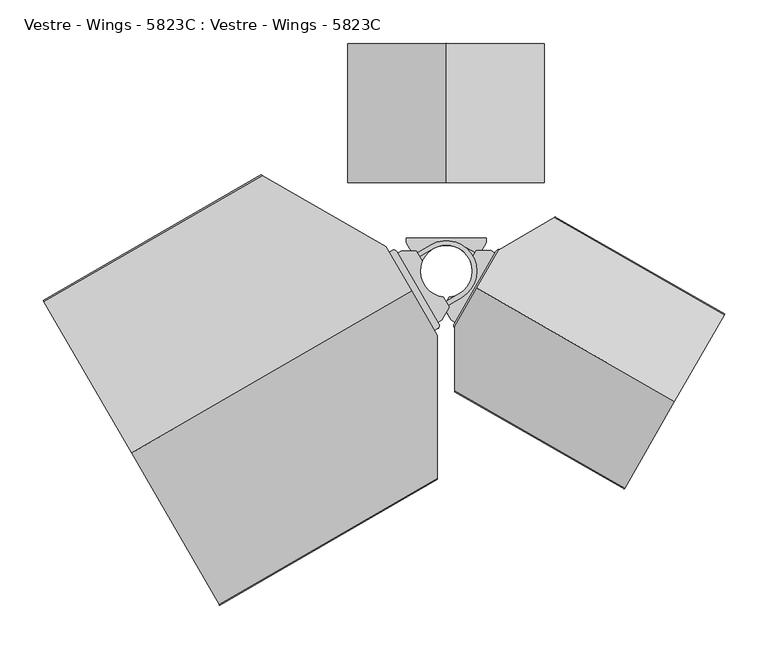
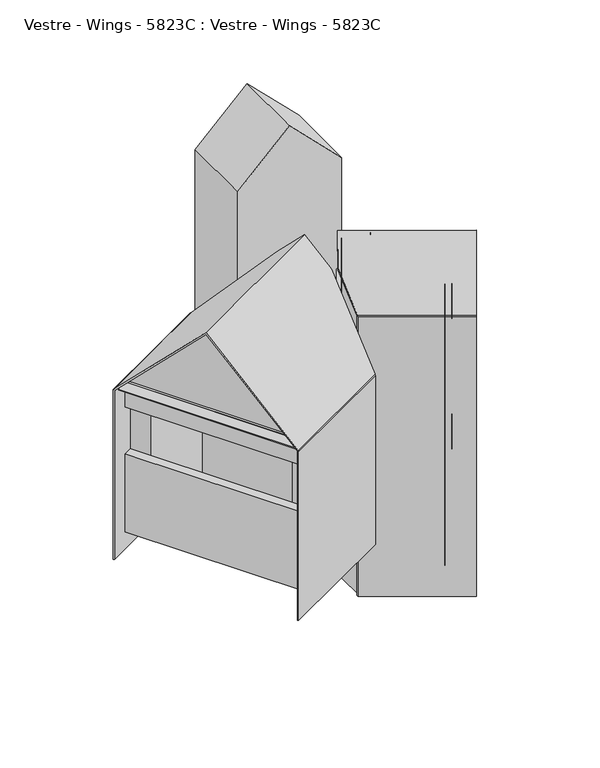
"""IFC4 building model written with IfcOpenShell, lengths in millimetres: furniture geometry, Vestre - Wings - 5823C : Vestre - Wings - 5823C."""

from ifc_helpers import new_model, si_unit, point, frame, frame_2d, origin, origin_2d, place, context, project, spatial, polyline, circle_curve, ellipse_curve, trimmed, segment, composite_curve, outline, extrude, faceted_brep, source, transform, mapped, element, save
from ifc_brep_helpers import plane_surface, cylinder_surface, revolved_surface, advanced_brep


def vestre_wings_5823c_vestre_wings_5823c_13f38da3(model_context):
    return source(origin(), model_context, "Body", "SolidModel", [
        extrude(outline(composite_curve([segment(polyline([(3.2987805, -41.4129271), (-5.3732925, -56.338383), (-9.6955074, -58.8520374), (-55.9467473, 20.6767172), (-51.6245323, 23.1903716), (-34.3633157, 23.3468417), (-27.6098764, 11.7343396)]), True, "CONTINUOUS"), segment(trimmed(circle_curve(origin_2d(), 30.0), [point((-27.6098764, 11.7343396))], [point((-3.4546589, -29.800425))], True, "CARTESIAN"), True, "CONTINUOUS"), segment(polyline([(-3.4546589, -29.800425), (3.2987805, -41.4129271)]), True, "CONTINUOUS")], self_intersect=False)), frame((0.0, 0.0, 1854.5), z_axis=(0.0, 0.0, 1.0), x_axis=(1.0, 0.0, 0.0)), (0.0, 0.0, 1.0), 16.0),
        extrude(outline(composite_curve([segment(polyline([(-15.0819261, 25.9332895), (-47.9030534, 6.8456295), (-50.4167077, 11.1678444), (-17.5955804, 30.2555045)]), True, "CONTINUOUS"), segment(trimmed(circle_curve(origin_2d(), 35.0), [point((-17.5955804, 30.2555045))], [point((17.5955804, -30.2555045))], False, "CARTESIAN"), True, "CONTINUOUS"), segment(polyline([(17.5955804, -30.2555045), (-15.2255469, -49.3431645), (-17.7392013, -45.0209496), (15.0819261, -25.9332895)]), True, "CONTINUOUS"), segment(trimmed(circle_curve(origin_2d(), 30.0), [point((15.0819261, -25.9332895))], [point((-15.0819261, 25.9332895))], True, "CARTESIAN"), True, "CONTINUOUS")], self_intersect=False)), frame((0.0, 0.0, 1858.4995703), z_axis=(0.0, 0.0, 1.0), x_axis=(1.0, 0.0, 0.0)), (0.0, 0.0, 1.0), 7.9898167),
        extrude(outline(composite_curve([segment(polyline([(-56.952209, 22.4056032), (-8.6900456, -60.5809233)]), True, "CONTINUOUS"), segment(trimmed(circle_curve(frame_2d((-12.1478176, -62.5918468)), 4.0), [point((-8.6900456, -60.5809233))], [point((-10.1368941, -66.0496188))], False, "CARTESIAN"), True, "CONTINUOUS"), segment(polyline([(-10.1368941, -66.0496188), (-14.6925794, -68.6990516), (-66.9765897, 21.2030188), (-62.4209044, 23.8524517)]), True, "CONTINUOUS"), segment(trimmed(circle_curve(frame_2d((-60.4099809, 20.3946797)), 4.0), [point((-62.4209044, 23.8524517))], [point((-56.952209, 22.4056032))], False, "CARTESIAN"), True, "CONTINUOUS")], self_intersect=False)), frame((0.0, 0.0, 1837.5), z_axis=(0.0, 0.0, 1.0), x_axis=(1.0, 0.0, 0.0)), (0.0, 0.0, 1.0), 60.0),
        extrude(outline(composite_curve([segment(polyline([(3.2987805, -41.4129271), (-5.3732925, -56.338383), (-9.6955074, -58.8520374), (-55.9467473, 20.6767172), (-51.6245323, 23.1903716), (-34.3633157, 23.3468417), (-27.6098764, 11.7343396)]), True, "CONTINUOUS"), segment(trimmed(circle_curve(origin_2d(), 30.0), [point((-27.6098764, 11.7343396))], [point((-3.4546589, -29.800425))], True, "CARTESIAN"), True, "CONTINUOUS"), segment(polyline([(-3.4546589, -29.800425), (3.2987805, -41.4129271)]), True, "CONTINUOUS")], self_intersect=False)), frame((0.0, 0.0, 2209.5), z_axis=(0.0, 0.0, 1.0), x_axis=(1.0, 0.0, 0.0)), (0.0, 0.0, 1.0), 16.0),
        extrude(outline(composite_curve([segment(polyline([(-15.0819261, 25.9332895), (-47.9030534, 6.8456295), (-50.4167077, 11.1678444), (-17.5955804, 30.2555045)]), True, "CONTINUOUS"), segment(trimmed(circle_curve(origin_2d(), 35.0), [point((-17.5955804, 30.2555045))], [point((17.5955804, -30.2555045))], False, "CARTESIAN"), True, "CONTINUOUS"), segment(polyline([(17.5955804, -30.2555045), (-15.2255469, -49.3431645), (-17.7392013, -45.0209496), (15.0819261, -25.9332895)]), True, "CONTINUOUS"), segment(trimmed(circle_curve(origin_2d(), 30.0), [point((15.0819261, -25.9332895))], [point((-15.0819261, 25.9332895))], True, "CARTESIAN"), True, "CONTINUOUS")], self_intersect=False)), frame((0.0, 0.0, 2213.4995703), z_axis=(0.0, 0.0, 1.0), x_axis=(1.0, 0.0, 0.0)), (0.0, 0.0, 1.0), 7.9898167),
        extrude(outline(composite_curve([segment(polyline([(-56.952209, 22.4056032), (-8.6900456, -60.5809233)]), True, "CONTINUOUS"), segment(trimmed(circle_curve(frame_2d((-12.1478176, -62.5918468)), 4.0), [point((-8.6900456, -60.5809233))], [point((-10.1368941, -66.0496188))], False, "CARTESIAN"), True, "CONTINUOUS"), segment(polyline([(-10.1368941, -66.0496188), (-14.6925794, -68.6990516), (-66.9765897, 21.2030188), (-62.4209044, 23.8524517)]), True, "CONTINUOUS"), segment(trimmed(circle_curve(frame_2d((-60.4099809, 20.3946797)), 4.0), [point((-62.4209044, 23.8524517))], [point((-56.952209, 22.4056032))], False, "CARTESIAN"), True, "CONTINUOUS")], self_intersect=False)), frame((0.0, 0.0, 2177.5), z_axis=(0.0, 0.0, 1.0), x_axis=(1.0, 0.0, 0.0)), (0.0, 0.0, 1.0), 60.0),
        extrude(outline(composite_curve([segment(polyline([(2.0, -1e-07), (1.9999999, -20.0000001), (6.1732691, -31.4659629), (4.2938839, -32.1500032), (0.1809221, -20.8497336)]), True, "CONTINUOUS"), segment(trimmed(circle_curve(frame_2d((3.0, -19.8236731)), 3.0), [point((0.1809221, -20.8497336))], [point((0.0, -19.8236731))], False, "CARTESIAN"), True, "CONTINUOUS"), segment(polyline([(0.0, -19.8236731), (0.0, 0.0), (2.0, -1e-07)]), True, "CONTINUOUS")], self_intersect=False)), frame((-249.1510246, -374.2094505, 2213.0396042), z_axis=(-0.4999999999999998, 0.8660254037844387, 0.0), x_axis=(0.2961981327260158, 0.17101007166282964, -0.9396926207859119)), (0.0, 0.0, 1.0), 398.8082246),
        faceted_brep([(-223.8406901, 100.9075496, 2220.0006219), (-124.1386339, -71.7814772, 2419.4047342), (-24.4365778, -244.4705041, 2220.0006219), (-24.4365778, -244.4705041, 1870.0006219), (-223.8406901, 100.9075496, 1870.0006219), (-427.35666, -16.5924504, 1870.0006219), (-227.9525477, -361.9705041, 1870.0006219), (-227.9525477, -361.9705041, 2050.0006219), (-427.35666, -16.5924504, 2050.0006219), (-227.9525477, -361.9705041, 2220.0006219), (-327.6546038, -189.2814772, 2419.4047342), (-427.35666, -16.5924504, 2220.0006219), (-427.35666, -16.5924504, 2158.0006219), (-227.9525477, -361.9705041, 2158.0006219), (-210.6320396, -351.9705041, 2158.0006219), (-210.6320396, -351.9705041, 2050.0006219), (-410.0361519, -6.5924504, 2050.0006219), (-410.0361519, -6.5924504, 2158.0006219), (-232.8817287, -313.4329122, 2158.0006219), (-232.8817287, -313.4329122, 2050.0006219), (-387.8817287, -44.965037, 2050.0006219), (-387.8817287, -44.965037, 2158.0006219), (-64.0067749, -215.9329122, 2198.0006219), (-219.0067749, 52.534963, 2198.0006219), (-219.0067749, 52.534963, 1890.0006219), (-64.0067749, -215.9329122, 1890.0006219), (-232.8817287, -313.4329122, 1890.0006219), (-387.8817287, -44.965037, 1890.0006219), (-387.8817287, -44.965037, 2198.0006219), (-232.8817287, -313.4329122, 2198.0006219)], [[[0, 1, 2, 3, 4]], [[5, 6, 7, 8]], [[9, 10, 11, 12, 13]], [[1, 0, 11, 10]], [[2, 1, 10, 9]], [[3, 2, 9, 13, 14, 15, 7, 6]], [[4, 3, 6, 5]], [[0, 4, 5, 8, 16, 17, 12, 11]], [[15, 14, 18, 19]], [[17, 16, 20, 21]], [[8, 7, 15, 19, 20, 16]], [[13, 12, 17, 21, 18, 14]], [[22, 23, 24, 25]], [[26, 27, 20, 19]], [[28, 29, 18, 21]], [[22, 25, 26, 19, 18, 29]], [[25, 24, 27, 26]], [[24, 23, 28, 21, 20, 27]], [[23, 22, 29, 28]]]),
        advanced_brep(
        [(-39.7895357, -23.0825026, 2423.6473748), (-10.3012702, -74.1576766, 2364.6708439), (-10.3012702, -74.1576766, 2360.4282032), (-39.7895357, -23.0825026, 2419.4047342), (-69.373067, 28.1576766, 2360.2376715), (-69.373067, 28.1576766, 2364.4803122), (-361.9509859, -209.0825026, 2423.6473748), (-462.5672556, -34.8100114, 2222.4148354), (-463.153042, -33.7953996, 2219.5864083), (-463.153042, -33.7953996, 1830.0006219), (-461.653042, -36.3934758, 1830.0006219), (-461.653042, -36.3934758, 2220.0006219), (-361.9509859, -209.0825026, 2419.4047342), (-262.2489297, -381.7715295, 2220.0006219), (-262.2489297, -381.7715295, 1830.0006219), (-260.7489297, -384.3696057, 1830.0006219), (-260.7489297, -384.3696057, 2219.5864083), (-261.3347162, -383.3549938, 2222.4148354), (-10.3012702, -238.4207662, 2222.4148354), (-10.3012702, -239.7735821, 2219.5864083), (-10.3012702, -239.7735821, 1830.0006219), (-10.3012702, -236.3094805, 1830.0006219), (-10.3012702, -236.3094805, 2220.0006219), (-209.6101166, 109.123575, 2220.0006219), (-209.6101166, 109.123575, 1830.0006219), (-212.6101166, 110.8556258, 1830.0006219), (-212.6101166, 110.8556258, 2219.5864083), (-211.4385438, 110.1792179, 2222.4148354)],
        [
            (0, 1),
            (1, 2),
            (2, 3),
            (3, 4),
            (4, 5),
            (5, 0),
            (6, 7),
            (7, 8, circle_curve(frame((-461.153042, -37.2595012, 2219.5864083), z_axis=(-0.8660254037844397, -0.4999999999999982, 0.0), x_axis=(0.4999999999999982, -0.8660254037844397, 0.0)), 4.0)),
            (8, 9),
            (9, 10),
            (10, 11),
            (11, 12),
            (12, 13),
            (13, 14),
            (14, 15),
            (15, 16),
            (16, 17, circle_curve(frame((-262.7489297, -380.9055041, 2219.5864083), z_axis=(-0.8660254037844397, -0.4999999999999982, 0.0), x_axis=(0.4999999999999982, -0.8660254037844397, 0.0)), 4.0)),
            (17, 6),
            (17, 18),
            (18, 1),
            (0, 6),
            (16, 19),
            (19, 18, ellipse_curve(frame((-10.3012702, -235.1547799, 2219.5864083), z_axis=(-1.0, 0.0, 0.0), x_axis=(0.0, 1.0, 0.0)), 4.6188022, 4.0)),
            (15, 20),
            (20, 19),
            (14, 21),
            (21, 20),
            (13, 22),
            (22, 21),
            (12, 3),
            (2, 22),
            (11, 23),
            (23, 4),
            (10, 24),
            (24, 23),
            (9, 25),
            (25, 24),
            (8, 26),
            (26, 25),
            (7, 27),
            (27, 26, ellipse_curve(frame((-208.6101166, 108.5462248, 2219.5864083), z_axis=(-0.5000000000000036, -0.8660254037844366, 0.0), x_axis=(0.8660254037844367, -0.5000000000000036, 0.0)), 4.6188022, 4.0)),
            (5, 27),
        ],
        [
            plane_surface(frame((60.8267341, -197.3549938, 2222.4148354), z_axis=(0.8660254037844399, 0.4999999999999982, 0.0), x_axis=(0.3535533905932713, -0.6123724356957932, -0.70710678118655))),
            plane_surface(frame((-261.3347162, -383.3549938, 2222.4148354), z_axis=(-0.8660254037844399, -0.4999999999999982, 0.0), x_axis=(-0.3535533905932713, 0.6123724356957932, 0.70710678118655))),
            plane_surface(frame((-39.7895357, -23.0825026, 2423.6473748), z_axis=(0.3535533905932737, -0.6123724356957975, 0.7071067811865451), x_axis=(-0.8660254037844397, -0.4999999999999981, 0.0))),
            cylinder_surface(frame((-262.7489297, -380.9055041, 2219.5864083), z_axis=(0.8660254037844397, 0.4999999999999982, 0.0), x_axis=(0.4999999999999982, -0.8660254037844397, 0.0)), 4.0),
            plane_surface(frame((61.4125205, -198.3696057, 2219.5864083), z_axis=(0.49999999999999817, -0.8660254037844397, 0.0), x_axis=(-0.8660254037844397, -0.49999999999999817, 0.0))),
            plane_surface(frame((61.4125205, -198.3696057, 1830.0006219), z_axis=(0.0, 0.0, -1.0), x_axis=(-0.8660254037844397, -0.4999999999999981, 0.0))),
            plane_surface(frame((59.9125205, -195.7715295, 1830.0006219), z_axis=(-0.49999999999999817, 0.8660254037844397, 0.0), x_axis=(-0.8660254037844397, -0.49999999999999817, 0.0))),
            plane_surface(frame((59.9125205, -195.7715295, 2220.0006219), z_axis=(-0.35355339059327395, 0.6123724356957977, -0.7071067811865449), x_axis=(-0.8660254037844397, -0.4999999999999983, 0.0))),
            plane_surface(frame((-39.7895357, -23.0825026, 2419.4047342), z_axis=(0.35355339059327456, -0.6123724356957989, -0.7071067811865434), x_axis=(-0.8660254037844397, -0.49999999999999817, 0.0))),
            plane_surface(frame((-139.4915918, 149.6065242, 2220.0006219), z_axis=(0.49999999999999817, -0.8660254037844397, 0.0), x_axis=(-0.8660254037844397, -0.49999999999999817, 0.0))),
            plane_surface(frame((-139.4915918, 149.6065242, 1830.0006219), z_axis=(0.0, 0.0, -1.0), x_axis=(-0.8660254037844397, -0.4999999999999981, 0.0))),
            plane_surface(frame((-140.9915918, 152.2046004, 1830.0006219), z_axis=(-0.4999999999999981, 0.8660254037844397, 0.0), x_axis=(-0.8660254037844397, -0.4999999999999981, 0.0))),
            cylinder_surface(frame((-461.153042, -37.2595012, 2219.5864083), z_axis=(0.8660254037844397, 0.4999999999999982, 0.0), x_axis=(0.4999999999999982, -0.8660254037844397, 0.0)), 4.0),
            plane_surface(frame((-140.4058054, 151.1899886, 2222.4148354), z_axis=(-0.35355339059327456, 0.6123724356957989, 0.7071067811865435), x_axis=(-0.8660254037844397, -0.49999999999999817, 0.0))),
            plane_surface(frame((-232.4269212, 122.2968633, 2432.7909344), z_axis=(0.5000000000000036, 0.8660254037844366, 0.0), x_axis=(0.0, 0.0, -1.0))),
            plane_surface(frame((-10.3012702, -74.1576766, 2432.7909344), z_axis=(1.0, 0.0, 0.0), x_axis=(0.0, 0.0, -1.0))),
        ],
        [
            (0, [[1, 2, 3, 4, 5, 6]]),
            (1, [[7, 8, 9, 10, 11, 12, 13, 14, 15, 16, 17, 18]]),
            (2, [[-18, 19, 20, -1, 21]]),
            (3, [[-17, 22, 23, -19]]),
            (4, [[-16, 24, 25, -22]]),
            (5, [[-15, 26, 27, -24]]),
            (6, [[-14, 28, 29, -26]]),
            (7, [[-13, 30, -3, 31, -28]]),
            (8, [[-12, 32, 33, -4, -30]]),
            (9, [[-11, 34, 35, -32]]),
            (10, [[-10, 36, 37, -34]]),
            (11, [[-9, 38, 39, -36]]),
            (12, [[-8, 40, 41, -38]]),
            (13, [[-7, -21, -6, 42, -40]]),
            (14, [[-5, -33, -35, -37, -39, -41, -42]]),
            (15, [[-2, -20, -23, -25, -27, -29, -31]]),
        ],
    ),
        faceted_brep([(-69.2060043, 19.8683157, 2367.5), (-17.3012702, -70.033321, 2367.5), (-14.703194, -68.533321, 2367.5), (-66.6079281, 21.3683157, 2367.5), (-209.6101166, 105.6594734, 1832.5), (-220.8684469, 99.1594734, 1832.5), (-222.3684469, 101.7575496, 1832.5), (-209.6101166, 109.123575, 1832.5), (-71.1051178, 29.1576766, 1832.5), (-10.3012702, -76.1576766, 1832.5), (-10.3012702, -236.3094805, 1832.5), (-22.9643346, -243.6205041, 1832.5), (-24.5596004, -240.8574226, 1832.5), (-13.3012702, -234.3574226, 1832.5), (-13.3012702, -76.9615242, 1832.5), (-73.3012702, 26.9615242, 1832.5), (-73.3012702, 26.9615242, 2359.3094683), (-209.6101166, 105.6594734, 2223.0006219), (-13.3012702, -76.9615242, 2359.5), (-13.3012702, -234.3574226, 2223.1911535), (-24.5596004, -240.8574226, 2223.1911535), (-22.9643346, -243.6205041, 2220.0006219), (-10.3012702, -236.3094805, 2220.0006219), (-10.3012702, -76.1576766, 2358.6961524), (-71.1051178, 29.1576766, 2358.5056207), (-209.6101166, 109.123575, 2220.0006219), (-222.3684469, 101.7575496, 2220.0006219), (-220.8684469, 99.1594734, 2223.0006219)], [[[0, 1, 2, 3]], [[4, 5, 6, 7, 8, 9, 10, 11, 12, 13, 14, 15]], [[4, 15, 16, 17]], [[15, 14, 18, 1, 0, 16]], [[14, 13, 19, 18]], [[13, 12, 20, 19]], [[12, 11, 21, 20]], [[11, 10, 22, 21]], [[10, 9, 23, 22]], [[9, 8, 24, 3, 2, 23]], [[8, 7, 25, 24]], [[7, 6, 26, 25]], [[6, 5, 27, 26]], [[5, 4, 17, 27]], [[2, 1, 18, 19, 20, 21, 22, 23]], [[0, 3, 24, 25, 26, 27, 17, 16]]]),
        advanced_brep(
        [(34.8269699, -19.6759588, 2404.8797257), (60.127587, 24.4671692, 2354.0000934), (60.127587, 24.4671692, 2349.7574528), (34.8269699, -19.6759588, 2400.637085), (9.5263527, -63.8190868, 2349.7574528), (9.5263527, -63.8190868, 2354.0000934), (262.1379591, -149.9591663, 2404.8797257), (204.9697314, -249.7031522, 2289.9142136), (204.3871502, -250.7196079, 2287.0857864), (204.3871502, -250.7196079, 1642.5), (205.8789427, -248.1168103, 1642.5), (205.8789427, -248.1168103, 2287.5), (262.1379591, -149.9591663, 2400.637085), (318.3969756, -51.8015224, 2287.5), (318.3969756, -51.8015224, 1642.5), (319.8887681, -49.1987248, 1642.5), (319.8887681, -49.1987248, 2287.0857864), (319.3061869, -50.2151805, 2289.9142136), (124.0963678, 61.6692534, 2289.9142136), (125.2658, 62.3493557, 2287.0857864), (125.2658, 62.3493557, 1642.5), (122.2712817, 60.6078449, 1642.5), (122.2712817, 60.6078449, 2287.5), (9.7532487, -135.707443, 2287.5), (9.7532487, -135.707443, 1642.5), (9.7641821, -139.1715273, 1642.5), (9.7641821, -139.1715273, 2287.0857864), (9.7599124, -137.8187183, 2289.9142136)],
        [
            (0, 1),
            (1, 2),
            (2, 3),
            (3, 4),
            (4, 5),
            (5, 0),
            (6, 7),
            (7, 8, circle_curve(frame((206.3762068, -247.2492111, 2287.0857864), z_axis=(0.867599195713286, -0.49726415072641134, 0.0), x_axis=(0.49726415072641134, 0.867599195713286, 0.0)), 4.0)),
            (8, 9),
            (9, 10),
            (10, 11),
            (11, 12),
            (12, 13),
            (13, 14),
            (14, 15),
            (15, 16),
            (16, 17, circle_curve(frame((317.8997115, -52.6691216, 2287.0857864), z_axis=(0.867599195713286, -0.49726415072641134, 0.0), x_axis=(0.49726415072641134, 0.867599195713286, 0.0)), 4.0)),
            (17, 6),
            (17, 18),
            (18, 1),
            (0, 6),
            (16, 19),
            (19, 18, ellipse_curve(frame((121.2731089, 60.0273413, 2287.0857864), z_axis=(0.5027308684274442, -0.8644429847770112, 0.0), x_axis=(-0.864442984777011, -0.5027308684274446, 0.0)), 4.6188022, 4.0)),
            (15, 20),
            (20, 19),
            (14, 21),
            (21, 20),
            (13, 22),
            (22, 21),
            (12, 3),
            (2, 22),
            (11, 23),
            (23, 4),
            (10, 24),
            (24, 23),
            (9, 25),
            (25, 24),
            (8, 26),
            (26, 25),
            (7, 27),
            (27, 26, ellipse_curve(frame((9.7496042, -134.5527482, 2287.0857864), z_axis=(0.9999950191538585, 0.0031562109362807777, 0.0), x_axis=(-0.0031562109362805795, 0.9999950191538586, 0.0)), 4.6188022, 4.0)),
            (5, 27),
        ],
        [
            plane_surface(frame((91.9951976, 80.068027, 2289.9142136), z_axis=(-0.8675991957132861, 0.4972641507264114, 0.0), x_axis=(0.3516188530196138, 0.6134852746408572, -0.7071067811865499))),
            plane_surface(frame((319.3061869, -50.2151805, 2289.9142136), z_axis=(0.8675991957132861, -0.4972641507264114, 0.0), x_axis=(-0.3516188530196138, -0.6134852746408572, 0.7071067811865499))),
            plane_surface(frame((34.8269699, -19.6759588, 2404.8797257), z_axis=(0.3516188530196161, 0.6134852746408613, 0.7071067811865451), x_axis=(0.8675991957132861, -0.49726415072641134, 0.0))),
            cylinder_surface(frame((317.8997115, -52.6691216, 2287.0857864), z_axis=(-0.867599195713286, 0.49726415072641134, 0.0), x_axis=(0.49726415072641134, 0.867599195713286, 0.0)), 4.0),
            plane_surface(frame((92.5777788, 81.0844827, 2287.0857864), z_axis=(0.49726415072641145, 0.867599195713286, 0.0), x_axis=(0.867599195713286, -0.49726415072641145, 0.0))),
            plane_surface(frame((92.5777788, 81.0844827, 1642.5), z_axis=(0.0, 0.0, -1.0000000000000002), x_axis=(0.8675991957132861, -0.49726415072641134, 0.0))),
            plane_surface(frame((91.0859863, 78.4816851, 1642.5), z_axis=(-0.49726415072641134, -0.8675991957132861, 0.0), x_axis=(0.8675991957132861, -0.49726415072641134, 0.0))),
            plane_surface(frame((91.0859863, 78.4816851, 2287.5), z_axis=(-0.35161885301961576, -0.6134852746408606, -0.707106781186546), x_axis=(0.867599195713286, -0.4972641507264114, 0.0))),
            plane_surface(frame((34.8269699, -19.6759588, 2400.637085), z_axis=(0.3516188530196162, 0.6134852746408614, -0.7071067811865451), x_axis=(0.8675991957132861, -0.4972641507264114, 0.0))),
            plane_surface(frame((-21.4320466, -117.8336028, 2287.5), z_axis=(0.4972641507264111, 0.8675991957132863, 0.0), x_axis=(0.8675991957132863, -0.4972641507264111, 0.0))),
            plane_surface(frame((-21.4320466, -117.8336028, 1642.5), z_axis=(0.0, 0.0, -1.0), x_axis=(0.867599195713286, -0.49726415072641145, 0.0))),
            plane_surface(frame((-22.9238391, -120.4364004, 1642.5), z_axis=(-0.49726415072641134, -0.867599195713286, 0.0), x_axis=(0.867599195713286, -0.49726415072641134, 0.0))),
            cylinder_surface(frame((206.3762068, -247.2492111, 2287.0857864), z_axis=(-0.867599195713286, 0.49726415072641134, 0.0), x_axis=(0.49726415072641134, 0.867599195713286, 0.0)), 4.0),
            plane_surface(frame((-22.3412579, -119.4199447, 2289.9142136), z_axis=(-0.3516188530196163, -0.6134852746408617, 0.7071067811865449), x_axis=(0.8675991957132861, -0.4972641507264113, 0.0))),
            plane_surface(frame((60.127587, 24.4671692, 2427.6480519), z_axis=(-0.5027308684274442, 0.8644429847770112, 0.0), x_axis=(0.0, 0.0, -1.0))),
            plane_surface(frame((9.7747146, -142.5085858, 2427.6480519), z_axis=(-0.9999950191538585, -0.0031562109362807777, 0.0), x_axis=(0.0, 0.0, -1.0))),
        ],
        [
            (0, [[1, 2, 3, 4, 5, 6]]),
            (1, [[7, 8, 9, 10, 11, 12, 13, 14, 15, 16, 17, 18]]),
            (2, [[-18, 19, 20, -1, 21]]),
            (3, [[-17, 22, 23, -19]]),
            (4, [[-16, 24, 25, -22]]),
            (5, [[-15, 26, 27, -24]]),
            (6, [[-14, 28, 29, -26]]),
            (7, [[-13, 30, -3, 31, -28]]),
            (8, [[-12, 32, 33, -4, -30]]),
            (9, [[-11, 34, 35, -32]]),
            (10, [[-10, 36, 37, -34]]),
            (11, [[-9, 38, 39, -36]]),
            (12, [[-8, 40, 41, -38]]),
            (13, [[-7, -21, -6, 42, -40]]),
            (14, [[-2, -20, -23, -25, -27, -29, -31]]),
            (15, [[-5, -33, -35, -37, -39, -41, -42]]),
        ],
    ),
        advanced_brep(
        [(32.3312963, -148.6480424, 2287.5), (88.5903127, -50.4903985, 2400.637085), (144.8493292, 47.6672455, 2287.5), (144.8493292, 47.6672455, 1682.5), (32.3312963, -148.6480424, 1682.5), (171.1749748, -228.2262442, 2287.5), (171.1749748, -228.2262442, 1682.5), (283.6930078, -31.9109564, 1682.5), (283.6930078, -31.9109564, 2287.5), (227.4339913, -130.0686003, 2400.637085), (218.8689457, -145.0124217, 1932.4878302), (235.7530328, -115.5539933, 1932.4878302), (218.8689457, -145.0124217, 2232.4878302), (235.7530328, -115.5539933, 2232.4878302), (52.405419, -160.1535183, 2287.5), (108.6644355, -61.9958743, 2400.637085), (164.923452, 36.1617696, 2287.5), (201.5169618, -135.0671387, 1932.4878302), (218.4010489, -105.6087102, 1932.4878302), (201.5169618, -135.0671387, 2232.4878302), (218.4010489, -105.6087102, 2232.4878302), (155.5735169, 26.0936932, 2282.1096834), (56.1206868, -147.426146, 2282.1096834), (56.1206868, -147.426146, 1702.5), (155.5735169, 26.0936932, 1702.5), (259.6854204, -33.5780049, 2282.1096834), (259.6854204, -33.5780049, 1702.5), (160.2325903, -207.097844, 1702.5), (160.2325903, -207.097844, 2282.1096834)],
        [
            (0, 1),
            (1, 2),
            (2, 3),
            (3, 4),
            (4, 0),
            (5, 6),
            (6, 7),
            (7, 8),
            (8, 9),
            (9, 5),
            (10, 11, circle_curve(frame((227.3109893, -130.2832075, 1932.4878302), z_axis=(-0.867599195713286, 0.49726415072641134, 0.0), x_axis=(0.49726415072641134, 0.867599195713286, 0.0)), 16.97698)),
            (11, 10, circle_curve(frame((227.3109893, -130.2832075, 1932.4878302), z_axis=(-0.867599195713286, 0.49726415072641134, 0.0), x_axis=(0.49726415072641134, 0.867599195713286, 0.0)), 16.97698)),
            (12, 13, circle_curve(frame((227.3109893, -130.2832075, 2232.4878302), z_axis=(-0.867599195713286, 0.49726415072641134, 0.0), x_axis=(0.49726415072641134, 0.867599195713286, 0.0)), 16.97698)),
            (13, 12, circle_curve(frame((227.3109893, -130.2832075, 2232.4878302), z_axis=(-0.867599195713286, 0.49726415072641134, 0.0), x_axis=(0.49726415072641134, 0.867599195713286, 0.0)), 16.97698)),
            (0, 14),
            (14, 5),
            (9, 15),
            (15, 1),
            (8, 16),
            (16, 2),
            (7, 3),
            (6, 4),
            (10, 17),
            (17, 18, circle_curve(frame((209.9590054, -120.3379245, 1932.4878302), z_axis=(-0.867599195713286, 0.49726415072641134, 0.0), x_axis=(0.49726415072641134, 0.867599195713286, 0.0)), 16.97698)),
            (18, 11),
            (18, 17, circle_curve(frame((209.9590054, -120.3379245, 1932.4878302), z_axis=(-0.867599195713286, 0.49726415072641134, 0.0), x_axis=(0.49726415072641134, 0.867599195713286, 0.0)), 16.97698)),
            (12, 19),
            (19, 20, circle_curve(frame((209.9590054, -120.3379245, 2232.4878302), z_axis=(-0.867599195713286, 0.49726415072641134, 0.0), x_axis=(0.49726415072641134, 0.867599195713286, 0.0)), 16.97698)),
            (20, 13),
            (20, 19, circle_curve(frame((209.9590054, -120.3379245, 2232.4878302), z_axis=(-0.867599195713286, 0.49726415072641134, 0.0), x_axis=(0.49726415072641134, 0.867599195713286, 0.0)), 16.97698)),
            (21, 22),
            (22, 23),
            (23, 24),
            (24, 21),
            (25, 26),
            (26, 27),
            (27, 28),
            (28, 25),
            (24, 26),
            (25, 21),
            (23, 27),
            (22, 28),
        ],
        [
            plane_surface(frame((88.5903127, -50.4903985, 2400.637085), z_axis=(-0.8675991957132863, 0.4972641507264114, 0.0), x_axis=(0.3516188530196133, 0.6134852746408563, 0.7071067811865509))),
            plane_surface(frame((227.4339913, -130.0686003, 2400.637085), z_axis=(0.8675991957132863, -0.4972641507264114, 0.0), x_axis=(-0.3516188530196133, -0.6134852746408563, -0.7071067811865509))),
            plane_surface(frame((32.3312963, -148.6480424, 2287.5), z_axis=(-0.35161885301961665, -0.6134852746408622, 0.7071067811865442), x_axis=(0.8675991957132861, -0.49726415072641134, 0.0))),
            plane_surface(frame((88.5903127, -50.4903985, 2400.637085), z_axis=(0.35161885301961654, 0.6134852746408621, 0.7071067811865444), x_axis=(0.8675991957132861, -0.49726415072641134, 0.0))),
            plane_surface(frame((144.8493292, 47.6672455, 2287.5), z_axis=(0.49726415072641145, 0.8675991957132861, 0.0), x_axis=(0.8675991957132861, -0.49726415072641145, 0.0))),
            plane_surface(frame((144.8493292, 47.6672455, 1682.5), z_axis=(0.0, 0.0, -1.0), x_axis=(0.8675991957132863, -0.497264150726411, 0.0))),
            plane_surface(frame((32.3312963, -148.6480424, 1682.5), z_axis=(-0.4972641507264112, -0.8675991957132861, 0.0), x_axis=(0.8675991957132861, -0.4972641507264112, 0.0))),
            revolved_surface(polyline([(218.40104887927515, -105.60871023615965, 1932.4878302), (235.75303285373394, -115.55399328518753, 1932.4878302)]), (274.8805078, -157.547659, 1932.4878302), (-0.867599195713286, 0.49726415072641134, 0.0)),
            revolved_surface(polyline([(218.40104886560005, -105.60871026001914, 2232.4878302), (235.7530328400589, -115.55399330904704, 2232.4878302)]), (0.0, 0.0, 2232.4878302), (-0.867599195713286, 0.49726415072641134, 0.0)),
            plane_surface(frame((155.5735169, 26.0936932, 2282.1096834), z_axis=(0.867599195713286, -0.49726415072641134, 0.0), x_axis=(0.0, 0.0, -1.0))),
            plane_surface(frame((259.6854204, -33.5780049, 2282.1096834), z_axis=(-0.867599195713286, 0.49726415072641134, 0.0), x_axis=(0.0, 0.0, 1.0))),
            plane_surface(frame((155.5735169, 26.0936932, 2282.1096834), z_axis=(-0.49726415072641145, -0.867599195713286, 0.0), x_axis=(0.867599195713286, -0.49726415072641145, 0.0))),
            plane_surface(frame((155.5735169, 26.0936932, 1702.5), z_axis=(0.0, 0.0, 1.0), x_axis=(0.867599195713286, -0.4972641507264114, 0.0))),
            plane_surface(frame((56.1206868, -147.426146, 1702.5), z_axis=(0.49726415072641117, 0.8675991957132861, 0.0), x_axis=(0.8675991957132861, -0.49726415072641117, 0.0))),
            plane_surface(frame((56.1206868, -147.426146, 2282.1096834), z_axis=(0.0, 0.0, -1.0), x_axis=(0.8675991957132861, -0.4972641507264113, 0.0))),
        ],
        [
            (0, [[1, 2, 3, 4, 5]]),
            (1, [[6, 7, 8, 9, 10], [11, 12], [13, 14]]),
            (2, [[-1, 15, 16, -10, 17, 18]]),
            (3, [[-2, -18, -17, -9, 19, 20]]),
            (4, [[-3, -20, -19, -8, 21]]),
            (5, [[-4, -21, -7, 22]]),
            (6, [[-5, -22, -6, -16, -15]]),
            (7, [[-11, 23, 24, 25]]),
            (7, [[-12, -25, 26, -23]]),
            (8, [[-13, 27, 28, 29]]),
            (8, [[-14, -29, 30, -27]]),
            (9, [[31, 32, 33, 34]]),
            (10, [[35, 36, 37, 38], [-24, -26], [-28, -30]]),
            (11, [[-34, 39, -35, 40]]),
            (12, [[-33, 41, -36, -39]]),
            (13, [[-32, 42, -37, -41]]),
            (14, [[-31, -40, -38, -42]]),
        ],
    ),
        faceted_brep([(62.3506902, 14.2688924, 2357.5), (19.4496383, -60.5825081, 2357.5), (22.0524359, -62.0743006, 2357.5), (64.9534878, 12.7770999, 2357.5), (126.5027062, 58.1826055, 1642.5), (143.3744106, 48.5125945, 1642.5), (141.6366141, 45.4805826, 1642.5), (126.0198285, 54.4313373, 1642.5), (70.2322239, 21.987149, 1642.5), (16.5276956, -71.7135641, 1642.5), (16.7313846, -136.249141, 1642.5), (32.3481701, -145.1998958, 1642.5), (30.8563776, -147.8026933, 1642.5), (13.7368662, -137.9906519, 1642.5), (13.5251735, -70.9191892, 1642.5), (68.0291509, 24.176359, 1642.5), (68.0291509, 24.176359, 2346.0805949), (126.5027062, 58.1826055, 2287.5), (13.5251735, -70.9191892, 2345.5858799), (13.7368662, -137.9906519, 2287.5), (30.8563776, -147.8026933, 2287.5), (32.3481701, -145.1998958, 2290.5), (16.7313846, -136.249141, 2290.5), (16.5276956, -71.7135641, 2346.3897275), (70.2322239, 21.987149, 2346.8844425), (126.0198285, 54.4313373, 2290.9947151), (141.6366141, 45.4805826, 2290.9947151), (143.3744106, 48.5125945, 2287.5)], [[[0, 1, 2, 3]], [[4, 5, 6, 7, 8, 9, 10, 11, 12, 13, 14, 15]], [[4, 15, 16, 17]], [[15, 14, 18, 1, 0, 16]], [[14, 13, 19, 18]], [[13, 12, 20, 19]], [[12, 11, 21, 20]], [[11, 10, 22, 21]], [[10, 9, 23, 22]], [[9, 8, 24, 3, 2, 23]], [[8, 7, 25, 24]], [[7, 6, 26, 25]], [[6, 5, 27, 26]], [[5, 4, 17, 27]], [[0, 3, 24, 25, 26, 27, 17, 16]], [[2, 1, 18, 19, 20, 21, 22, 23]]]),
        extrude(outline(composite_curve([segment(polyline([(34.2152567, 23.5632913), (51.4771171, 23.5157837), (55.8151131, 21.029463), (10.0668112, -58.789663), (5.7288153, -56.3033423), (-3.0373002, -41.4329252), (3.642702, -29.7780242)]), True, "CONTINUOUS"), segment(trimmed(circle_curve(origin_2d(), 30.0), [point((3.642702, -29.7780242))], [point((27.5352546, 11.9083902))], True, "CARTESIAN"), True, "CONTINUOUS"), segment(polyline([(27.5352546, 11.9083902), (34.2152567, 23.5632913)]), True, "CONTINUOUS")], self_intersect=False)), frame((0.0, 0.0, 1689.1096834), z_axis=(0.0, 0.0, 1.0), x_axis=(1.0, 0.0, 0.0)), (0.0, 0.0, 1.0), 16.0),
        extrude(outline(composite_curve([segment(polyline([(-14.9179245, -26.0279759), (18.0230377, -44.9080759), (15.5367169, -49.2460719), (-17.4042453, -30.3659718)]), True, "CONTINUOUS"), segment(trimmed(circle_curve(origin_2d(), 35.0), [point((-17.4042453, -30.3659718))], [point((17.4042453, 30.3659718))], False, "CARTESIAN"), True, "CONTINUOUS"), segment(polyline([(17.4042453, 30.3659718), (50.3452075, 11.4858718), (47.8588867, 7.1478759), (14.9179245, 26.0279759)]), True, "CONTINUOUS"), segment(trimmed(circle_curve(origin_2d(), 30.0), [point((14.9179245, 26.0279759))], [point((-14.9179245, -26.0279759))], True, "CARTESIAN"), True, "CONTINUOUS")], self_intersect=False)), frame((0.0, 0.0, 1693.1092537), z_axis=(0.0, 0.0, 1.0), x_axis=(1.0, 0.0, 0.0)), (0.0, 0.0, 1.0), 7.9898167),
        extrude(outline(composite_curve([segment(polyline([(9.0722829, -60.5248614), (56.8096414, 22.7646614)]), True, "CONTINUOUS"), segment(trimmed(circle_curve(frame_2d((60.2800382, 20.7756048)), 4.0), [point((56.8096414, 22.7646614))], [point((62.2690948, 24.2460016))], False, "CARTESIAN"), True, "CONTINUOUS"), segment(polyline([(62.2690948, 24.2460016), (66.5978657, 21.7649682), (14.882394, -68.4653482), (10.5536231, -65.9843148)]), True, "CONTINUOUS"), segment(trimmed(circle_curve(frame_2d((12.5426797, -62.513918)), 4.0), [point((10.5536231, -65.9843148))], [point((9.0722829, -60.5248614))], False, "CARTESIAN"), True, "CONTINUOUS")], self_intersect=False)), frame((0.0, 0.0, 1667.5096834), z_axis=(0.0, 0.0, 1.0), x_axis=(1.0, 0.0, 0.0)), (0.0, 0.0, 1.0), 77.0),
        extrude(outline(composite_curve([segment(polyline([(34.2152567, 23.5632913), (51.4771171, 23.5157837), (55.8151131, 21.029463), (10.0668112, -58.789663), (5.7288153, -56.3033423), (-3.0373002, -41.4329252), (3.642702, -29.7780242)]), True, "CONTINUOUS"), segment(trimmed(circle_curve(origin_2d(), 30.0), [point((3.642702, -29.7780242))], [point((27.5352546, 11.9083902))], True, "CARTESIAN"), True, "CONTINUOUS"), segment(polyline([(27.5352546, 11.9083902), (34.2152567, 23.5632913)]), True, "CONTINUOUS")], self_intersect=False)), frame((0.0, 0.0, 2194.1096834), z_axis=(0.0, 0.0, 1.0), x_axis=(1.0, 0.0, 0.0)), (0.0, 0.0, 1.0), 16.0),
        extrude(outline(composite_curve([segment(polyline([(-14.9179245, -26.0279759), (18.0230377, -44.9080759), (15.5367169, -49.2460719), (-17.4042453, -30.3659718)]), True, "CONTINUOUS"), segment(trimmed(circle_curve(origin_2d(), 35.0), [point((-17.4042453, -30.3659718))], [point((17.4042453, 30.3659718))], False, "CARTESIAN"), True, "CONTINUOUS"), segment(polyline([(17.4042453, 30.3659718), (50.3452075, 11.4858718), (47.8588867, 7.1478759), (14.9179245, 26.0279759)]), True, "CONTINUOUS"), segment(trimmed(circle_curve(origin_2d(), 30.0), [point((14.9179245, 26.0279759))], [point((-14.9179245, -26.0279759))], True, "CARTESIAN"), True, "CONTINUOUS")], self_intersect=False)), frame((0.0, 0.0, 2198.1092537), z_axis=(0.0, 0.0, 1.0), x_axis=(1.0, 0.0, 0.0)), (0.0, 0.0, 1.0), 7.9898167),
        extrude(outline(composite_curve([segment(polyline([(9.0722829, -60.5248614), (56.8096414, 22.7646614)]), True, "CONTINUOUS"), segment(trimmed(circle_curve(frame_2d((60.2800382, 20.7756048)), 4.0), [point((56.8096414, 22.7646614))], [point((62.2690948, 24.2460016))], False, "CARTESIAN"), True, "CONTINUOUS"), segment(polyline([(62.2690948, 24.2460016), (66.8414136, 21.6253788), (15.1259419, -68.6049376), (10.5536231, -65.9843148)]), True, "CONTINUOUS"), segment(trimmed(circle_curve(frame_2d((12.5426797, -62.513918)), 4.0), [point((10.5536231, -65.9843148))], [point((9.0722829, -60.5248614))], False, "CARTESIAN"), True, "CONTINUOUS")], self_intersect=False)), frame((0.0, 0.0, 2185.6096834), z_axis=(0.0, 0.0, 1.0), x_axis=(1.0, 0.0, 0.0)), (0.0, 0.0, 1.0), 96.5005892),
        extrude(outline(composite_curve([segment(polyline([(-2.0000001, 0.0), (0.0, 0.0), (-1e-07, -19.9377121)]), True, "CONTINUOUS"), segment(trimmed(circle_curve(frame_2d((-2.3532521, -19.9377122)), 2.3532521), [point((-1e-07, -19.9377121))], [point((-0.1419185, -20.7425718))], False, "CARTESIAN"), True, "CONTINUOUS"), segment(polyline([(-0.1419185, -20.7425718), (-2.3858314, -26.9076719), (-4.2652167, -26.2236316), (-2.1809222, -20.4970795)]), True, "CONTINUOUS"), segment(trimmed(circle_curve(frame_2d((-5.0, -19.471019)), 3.0), [point((-2.1809222, -20.4970795))], [point((-2.0, -19.4710191))], True, "CARTESIAN"), True, "CONTINUOUS"), segment(polyline([(-2.0, -19.4710191), (-2.0000001, 0.0)]), True, "CONTINUOUS")], self_intersect=False)), frame((188.0739789, -237.911902, 1975.5389824), z_axis=(0.49726415072641134, 0.867599195713286, 0.0), x_axis=(0.29673640126702366, -0.1700743561021244, 0.9396926207859376)), (0.0, 0.0, 1.0), 226.27417),
        extrude(outline(composite_curve([segment(polyline([(279.9077862, -102.606043), (281.9077862, -102.606043), (281.9077862, -122.5437551)]), True, "CONTINUOUS"), segment(trimmed(circle_curve(frame_2d((279.5545341, -122.5437552)), 2.3532521), [point((281.9077862, -122.5437551))], [point((281.7658677, -123.3486148))], False, "CARTESIAN"), True, "CONTINUOUS"), segment(polyline([(281.7658677, -123.3486148), (279.5219548, -129.5137149), (277.6425695, -128.8296746), (279.7268641, -123.1031225)]), True, "CONTINUOUS"), segment(trimmed(circle_curve(frame_2d((276.9077862, -122.077062)), 3.0), [point((279.7268641, -123.1031225))], [point((279.9077862, -122.0770621))], True, "CARTESIAN"), True, "CONTINUOUS"), segment(polyline([(279.9077862, -122.0770621), (279.9077862, -102.606043)]), True, "CONTINUOUS")], self_intersect=False)), frame((188.0739789, -237.911902, 1975.5389824), z_axis=(0.49726415072641134, 0.867599195713286, 0.0), x_axis=(0.29673640126702366, -0.1700743561021244, 0.9396926207859376)), (0.0, 0.0, 1.0), 226.27417),
        advanced_brep(
        [(112.8897275, 101.9679492, 2472.5), (-0.2473575, 101.9679492, 2585.637085), (-113.3844425, 101.9679492, 2472.5), (-113.3844425, 101.9679492, 1867.5), (112.8897275, 101.9679492, 1867.5), (112.8897275, 262.0, 2472.5), (112.8897275, 262.0, 1867.5), (-113.3844425, 262.0, 1867.5), (-113.3844425, 262.0, 2472.5), (-0.2473575, 262.0, 2585.637085), (16.97698, 262.0, 2117.4878302), (-16.97698, 262.0, 2117.4878302), (3.8078776, 262.0, 2264.186492), (-10.1921224, 262.0, 2264.186492), (60.0863213, 262.0, 2261.2021135), (52.0251416, 262.0, 2261.2021135), (41.5117973, 262.0, 2317.1568513), (31.5117973, 262.0, 2317.1568513), (43.5841698, 262.0, 2370.9399785), (29.5841698, 262.0, 2370.9399785), (-47.8703027, 262.0, 2281.2566248), (-55.8556066, 262.0, 2281.2566248), (-2.9768025, 262.0, 2327.4584532), (-16.9768025, 262.0, 2327.4584532), (49.4348658, 262.0, 2409.4515795), (41.4348658, 262.0, 2409.4515795), (-60.6415293, 262.0, 2340.2787888), (-68.6415293, 262.0, 2340.2787888), (-18.7489245, 262.0, 2369.5707091), (-32.8480503, 262.0, 2369.5707091), (9.2046473, 262.0, 2401.563111), (-0.7953527, 262.0, 2401.563111), (-40.3831755, 262.0, 2412.850123), (-50.3831755, 262.0, 2412.850123), (-100.0, 122.0, 2467.1096834), (100.0, 122.0, 2467.1096834), (100.0, 122.0, 1887.5), (-100.0, 122.0, 1887.5), (-100.0, 242.0, 2467.1096834), (-100.0, 242.0, 1887.5), (100.0, 242.0, 1887.5), (100.0, 242.0, 2467.1096834), (-16.97698, 242.0, 2117.4878302), (16.97698, 242.0, 2117.4878302), (-10.1921224, 242.0, 2264.186492), (3.8078776, 242.0, 2264.186492), (52.0251416, 242.0, 2261.2021135), (60.0863213, 242.0, 2261.2021135), (31.5117973, 242.0, 2317.1568513), (41.5117973, 242.0, 2317.1568513), (29.5841698, 242.0, 2370.9399785), (43.5841698, 242.0, 2370.9399785), (-55.8556066, 242.0, 2281.2566248), (-47.8703027, 242.0, 2281.2566248), (-16.9768025, 242.0, 2327.4584532), (-2.9768025, 242.0, 2327.4584532), (41.4348658, 242.0, 2409.4515795), (49.4348658, 242.0, 2409.4515795), (-68.6415293, 242.0, 2340.2787888), (-60.6415293, 242.0, 2340.2787888), (-32.8480503, 242.0, 2369.5707091), (-18.7489245, 242.0, 2369.5707091), (-0.7953527, 242.0, 2401.563111), (9.2046473, 242.0, 2401.563111), (-50.3831755, 242.0, 2412.850123), (-40.3831755, 242.0, 2412.850123)],
        [
            (0, 1),
            (1, 2),
            (2, 3),
            (3, 4),
            (4, 0),
            (5, 6),
            (6, 7),
            (7, 8),
            (8, 9),
            (9, 5),
            (10, 11, circle_curve(frame((0.0, 262.0, 2117.4878302), z_axis=(0.0, -1.0, 0.0), x_axis=(-1.0, 0.0, 0.0)), 16.97698)),
            (11, 10, circle_curve(frame((0.0, 262.0, 2117.4878302), z_axis=(0.0, -1.0, 0.0), x_axis=(-1.0, 0.0, 0.0)), 16.97698)),
            (12, 13, circle_curve(frame((-3.1921224, 262.0, 2264.186492), z_axis=(0.0, -1.0, 0.0), x_axis=(-1.0, 0.0, 0.0)), 7.0)),
            (13, 12, circle_curve(frame((-3.1921224, 262.0, 2264.186492), z_axis=(0.0, -1.0, 0.0), x_axis=(-1.0, 0.0, 0.0)), 7.0)),
            (14, 15, circle_curve(frame((56.0557314, 262.0, 2261.2021135), z_axis=(0.0, -1.0, 0.0), x_axis=(-1.0, 0.0, 0.0)), 4.0305899)),
            (15, 14, circle_curve(frame((56.0557314, 262.0, 2261.2021135), z_axis=(0.0, -1.0, 0.0), x_axis=(-1.0, 0.0, 0.0)), 4.0305899)),
            (16, 17, circle_curve(frame((36.5117973, 262.0, 2317.1568513), z_axis=(0.0, -1.0, 0.0), x_axis=(-1.0, 0.0, 0.0)), 5.0)),
            (17, 16, circle_curve(frame((36.5117973, 262.0, 2317.1568513), z_axis=(0.0, -1.0, 0.0), x_axis=(-1.0, 0.0, 0.0)), 5.0)),
            (18, 19, circle_curve(frame((36.5841698, 262.0, 2370.9399785), z_axis=(0.0, -1.0, 0.0), x_axis=(-1.0, 0.0, 0.0)), 7.0)),
            (19, 18, circle_curve(frame((36.5841698, 262.0, 2370.9399785), z_axis=(0.0, -1.0, 0.0), x_axis=(-1.0, 0.0, 0.0)), 7.0)),
            (20, 21, circle_curve(frame((-51.8629546, 262.0, 2281.2566248), z_axis=(0.0, -1.0, 0.0), x_axis=(-1.0, 0.0, 0.0)), 3.992652)),
            (21, 20, circle_curve(frame((-51.8629546, 262.0, 2281.2566248), z_axis=(0.0, -1.0, 0.0), x_axis=(-1.0, 0.0, 0.0)), 3.992652)),
            (22, 23, circle_curve(frame((-9.9768025, 262.0, 2327.4584532), z_axis=(0.0, -1.0, 0.0), x_axis=(-1.0, 0.0, 0.0)), 7.0)),
            (23, 22, circle_curve(frame((-9.9768025, 262.0, 2327.4584532), z_axis=(0.0, -1.0, 0.0), x_axis=(-1.0, 0.0, 0.0)), 7.0)),
            (24, 25, circle_curve(frame((45.4348658, 262.0, 2409.4515795), z_axis=(0.0, -1.0, 0.0), x_axis=(-1.0, 0.0, 0.0)), 4.0)),
            (25, 24, circle_curve(frame((45.4348658, 262.0, 2409.4515795), z_axis=(0.0, -1.0, 0.0), x_axis=(-1.0, 0.0, 0.0)), 4.0)),
            (26, 27, circle_curve(frame((-64.6415293, 262.0, 2340.2787888), z_axis=(0.0, -1.0, 0.0), x_axis=(-1.0, 0.0, 0.0)), 4.0)),
            (27, 26, circle_curve(frame((-64.6415293, 262.0, 2340.2787888), z_axis=(0.0, -1.0, 0.0), x_axis=(-1.0, 0.0, 0.0)), 4.0)),
            (28, 29, circle_curve(frame((-25.7984874, 262.0, 2369.5707091), z_axis=(0.0, -1.0, 0.0), x_axis=(-1.0, 0.0, 0.0)), 7.0495629)),
            (29, 28, circle_curve(frame((-25.7984874, 262.0, 2369.5707091), z_axis=(0.0, -1.0, 0.0), x_axis=(-1.0, 0.0, 0.0)), 7.0495629)),
            (30, 31, circle_curve(frame((4.2046473, 262.0, 2401.563111), z_axis=(0.0, -1.0, 0.0), x_axis=(-1.0, 0.0, 0.0)), 5.0)),
            (31, 30, circle_curve(frame((4.2046473, 262.0, 2401.563111), z_axis=(0.0, -1.0, 0.0), x_axis=(-1.0, 0.0, 0.0)), 5.0)),
            (32, 33, circle_curve(frame((-45.3831755, 262.0, 2412.850123), z_axis=(0.0, -1.0, 0.0), x_axis=(-1.0, 0.0, 0.0)), 5.0)),
            (33, 32, circle_curve(frame((-45.3831755, 262.0, 2412.850123), z_axis=(0.0, -1.0, 0.0), x_axis=(-1.0, 0.0, 0.0)), 5.0)),
            (0, 5),
            (9, 1),
            (8, 2),
            (7, 3),
            (6, 4),
            (34, 35),
            (35, 36),
            (36, 37),
            (37, 34),
            (38, 39),
            (39, 40),
            (40, 41),
            (41, 38),
            (42, 43, circle_curve(frame((0.0, 242.0, 2117.4878302), z_axis=(0.0, 1.0, 0.0), x_axis=(-1.0, 0.0, 0.0)), 16.97698)),
            (43, 42, circle_curve(frame((0.0, 242.0, 2117.4878302), z_axis=(0.0, 1.0, 0.0), x_axis=(-1.0, 0.0, 0.0)), 16.97698)),
            (44, 45, circle_curve(frame((-3.1921224, 242.0, 2264.186492), z_axis=(0.0, 1.0, 0.0), x_axis=(-1.0, 0.0, 0.0)), 7.0)),
            (45, 44, circle_curve(frame((-3.1921224, 242.0, 2264.186492), z_axis=(0.0, 1.0, 0.0), x_axis=(-1.0, 0.0, 0.0)), 7.0)),
            (46, 47, circle_curve(frame((56.0557314, 242.0, 2261.2021135), z_axis=(0.0, 1.0, 0.0), x_axis=(-1.0, 0.0, 0.0)), 4.0305899)),
            (47, 46, circle_curve(frame((56.0557314, 242.0, 2261.2021135), z_axis=(0.0, 1.0, 0.0), x_axis=(-1.0, 0.0, 0.0)), 4.0305899)),
            (48, 49, circle_curve(frame((36.5117973, 242.0, 2317.1568513), z_axis=(0.0, 1.0, 0.0), x_axis=(-1.0, 0.0, 0.0)), 5.0)),
            (49, 48, circle_curve(frame((36.5117973, 242.0, 2317.1568513), z_axis=(0.0, 1.0, 0.0), x_axis=(-1.0, 0.0, 0.0)), 5.0)),
            (50, 51, circle_curve(frame((36.5841698, 242.0, 2370.9399785), z_axis=(0.0, 1.0, 0.0), x_axis=(-1.0, 0.0, 0.0)), 7.0)),
            (51, 50, circle_curve(frame((36.5841698, 242.0, 2370.9399785), z_axis=(0.0, 1.0, 0.0), x_axis=(-1.0, 0.0, 0.0)), 7.0)),
            (52, 53, circle_curve(frame((-51.8629546, 242.0, 2281.2566248), z_axis=(0.0, 1.0, 0.0), x_axis=(-1.0, 0.0, 0.0)), 3.992652)),
            (53, 52, circle_curve(frame((-51.8629546, 242.0, 2281.2566248), z_axis=(0.0, 1.0, 0.0), x_axis=(-1.0, 0.0, 0.0)), 3.992652)),
            (54, 55, circle_curve(frame((-9.9768025, 242.0, 2327.4584532), z_axis=(0.0, 1.0, 0.0), x_axis=(-1.0, 0.0, 0.0)), 7.0)),
            (55, 54, circle_curve(frame((-9.9768025, 242.0, 2327.4584532), z_axis=(0.0, 1.0, 0.0), x_axis=(-1.0, 0.0, 0.0)), 7.0)),
            (56, 57, circle_curve(frame((45.4348658, 242.0, 2409.4515795), z_axis=(0.0, 1.0, 0.0), x_axis=(-1.0, 0.0, 0.0)), 4.0)),
            (57, 56, circle_curve(frame((45.4348658, 242.0, 2409.4515795), z_axis=(0.0, 1.0, 0.0), x_axis=(-1.0, 0.0, 0.0)), 4.0)),
            (58, 59, circle_curve(frame((-64.6415293, 242.0, 2340.2787888), z_axis=(0.0, 1.0, 0.0), x_axis=(-1.0, 0.0, 0.0)), 4.0)),
            (59, 58, circle_curve(frame((-64.6415293, 242.0, 2340.2787888), z_axis=(0.0, 1.0, 0.0), x_axis=(-1.0, 0.0, 0.0)), 4.0)),
            (60, 61, circle_curve(frame((-25.7984874, 242.0, 2369.5707091), z_axis=(0.0, 1.0, 0.0), x_axis=(-1.0, 0.0, 0.0)), 7.0495629)),
            (61, 60, circle_curve(frame((-25.7984874, 242.0, 2369.5707091), z_axis=(0.0, 1.0, 0.0), x_axis=(-1.0, 0.0, 0.0)), 7.0495629)),
            (62, 63, circle_curve(frame((4.2046473, 242.0, 2401.563111), z_axis=(0.0, 1.0, 0.0), x_axis=(-1.0, 0.0, 0.0)), 5.0)),
            (63, 62, circle_curve(frame((4.2046473, 242.0, 2401.563111), z_axis=(0.0, 1.0, 0.0), x_axis=(-1.0, 0.0, 0.0)), 5.0)),
            (64, 65, circle_curve(frame((-45.3831755, 242.0, 2412.850123), z_axis=(0.0, 1.0, 0.0), x_axis=(-1.0, 0.0, 0.0)), 5.0)),
            (65, 64, circle_curve(frame((-45.3831755, 242.0, 2412.850123), z_axis=(0.0, 1.0, 0.0), x_axis=(-1.0, 0.0, 0.0)), 5.0)),
            (37, 39),
            (38, 34),
            (36, 40),
            (35, 41),
            (10, 43),
            (42, 11),
            (12, 45),
            (44, 13),
            (14, 47),
            (46, 15),
            (16, 49),
            (48, 17),
            (18, 51),
            (50, 19),
            (20, 53),
            (52, 21),
            (22, 55),
            (54, 23),
            (24, 57),
            (56, 25),
            (26, 59),
            (58, 27),
            (28, 61),
            (60, 29),
            (30, 63),
            (62, 31),
            (32, 65),
            (64, 33),
        ],
        [
            plane_surface(frame((-0.2473575, 101.9679492, 2585.637085), z_axis=(0.0, -1.0000000000000002, 0.0), x_axis=(-0.707106781186547, 0.0, 0.7071067811865481))),
            plane_surface(frame((-0.2473575, 262.0, 2585.637085), z_axis=(0.0, 1.0000000000000002, 0.0), x_axis=(0.707106781186547, 0.0, -0.7071067811865481))),
            plane_surface(frame((112.8897275, 101.9679492, 2472.5), z_axis=(0.7071067811865481, 0.0, 0.707106781186547), x_axis=(0.0, 1.0, 0.0))),
            plane_surface(frame((-0.2473575, 101.9679492, 2585.637085), z_axis=(-0.7071067811865502, 0.0, 0.7071067811865448), x_axis=(0.0, 1.0, 0.0))),
            plane_surface(frame((-113.3844425, 101.9679492, 2472.5), z_axis=(-1.0, 0.0, 0.0), x_axis=(0.0, 1.0, 0.0))),
            plane_surface(frame((-113.3844425, 101.9679492, 1867.5), z_axis=(0.0, 0.0, -1.0), x_axis=(0.0, 1.0, 0.0))),
            plane_surface(frame((112.8897275, 101.9679492, 1867.5), z_axis=(1.0, 0.0, 0.0), x_axis=(0.0, 1.0, 0.0))),
            plane_surface(frame((-100.0, 122.0, 2467.1096834), z_axis=(0.0, 1.0, 0.0), x_axis=(0.0, 0.0, -1.0))),
            plane_surface(frame((-100.0, 242.0, 2467.1096834), z_axis=(0.0, -1.0, 0.0), x_axis=(0.0, 0.0, 1.0))),
            plane_surface(frame((-100.0, 122.0, 2467.1096834), z_axis=(1.0, 0.0, 0.0), x_axis=(0.0, 1.0, 0.0))),
            plane_surface(frame((-100.0, 122.0, 1887.5), z_axis=(0.0, 0.0, 1.0), x_axis=(0.0, 1.0, 0.0))),
            plane_surface(frame((100.0, 122.0, 1887.5), z_axis=(-1.0, 0.0, 0.0), x_axis=(0.0, 1.0, 0.0))),
            plane_surface(frame((100.0, 122.0, 2467.1096834), z_axis=(0.0, 0.0, -1.0), x_axis=(0.0, 1.0, 0.0))),
            revolved_surface(polyline([(-16.97698, 242.0, 2117.4878302), (-16.97698, 262.0, 2117.4878302)]), (0.0, 316.8289104, 2117.4878302), (0.0, -1.0, 0.0)),
            revolved_surface(polyline([(-10.1921224, 242.0, 2264.186492), (-10.1921224, 262.0, 2264.186492)]), (-3.1921224, 0.0, 2264.186492), (0.0, -1.0, 0.0)),
            revolved_surface(polyline([(52.0251415, 242.0, 2261.2021135), (52.0251415, 262.0, 2261.2021135)]), (56.0557314, 0.0, 2261.2021135), (0.0, -1.0, 0.0)),
            revolved_surface(polyline([(31.511797299999998, 242.0, 2317.1568513), (31.511797299999998, 262.0, 2317.1568513)]), (36.5117973, 0.0, 2317.1568513), (0.0, -1.0, 0.0)),
            revolved_surface(polyline([(29.584169799999998, 242.0, 2370.9399785), (29.584169799999998, 262.0, 2370.9399785)]), (36.5841698, 0.0, 2370.9399785), (0.0, -1.0, 0.0)),
            revolved_surface(polyline([(-55.8556066, 242.0, 2281.2566248), (-55.8556066, 262.0, 2281.2566248)]), (-51.8629546, 0.0, 2281.2566248), (0.0, -1.0, 0.0)),
            revolved_surface(polyline([(-16.976802499999998, 242.0, 2327.4584532), (-16.976802499999998, 262.0, 2327.4584532)]), (-9.9768025, 0.0, 2327.4584532), (0.0, -1.0, 0.0)),
            revolved_surface(polyline([(41.4348658, 242.0, 2409.4515795), (41.4348658, 262.0, 2409.4515795)]), (45.4348658, 0.0, 2409.4515795), (0.0, -1.0, 0.0)),
            revolved_surface(polyline([(-68.6415293, 242.0, 2340.2787888), (-68.6415293, 262.0, 2340.2787888)]), (-64.6415293, 0.0, 2340.2787888), (0.0, -1.0, 0.0)),
            revolved_surface(polyline([(-32.8480503, 242.0, 2369.5707091), (-32.8480503, 262.0, 2369.5707091)]), (-25.7984874, 0.0, 2369.5707091), (0.0, -1.0, 0.0)),
            revolved_surface(polyline([(-0.7953526999999996, 242.0, 2401.563111), (-0.7953526999999996, 262.0, 2401.563111)]), (4.2046473, 0.0, 2401.563111), (0.0, -1.0, 0.0)),
            revolved_surface(polyline([(-50.3831755, 242.0, 2412.850123), (-50.3831755, 262.0, 2412.850123)]), (-45.3831755, 0.0, 2412.850123), (0.0, -1.0, 0.0)),
        ],
        [
            (0, [[1, 2, 3, 4, 5]]),
            (1, [[6, 7, 8, 9, 10], [11, 12], [13, 14], [15, 16], [17, 18], [19, 20], [21, 22], [23, 24], [25, 26], [27, 28], [29, 30], [31, 32], [33, 34]]),
            (2, [[-1, 35, -10, 36]]),
            (3, [[-2, -36, -9, 37]]),
            (4, [[-3, -37, -8, 38]]),
            (5, [[-4, -38, -7, 39]]),
            (6, [[-5, -39, -6, -35]]),
            (7, [[40, 41, 42, 43]]),
            (8, [[44, 45, 46, 47], [48, 49], [50, 51], [52, 53], [54, 55], [56, 57], [58, 59], [60, 61], [62, 63], [64, 65], [66, 67], [68, 69], [70, 71]]),
            (9, [[-43, 72, -44, 73]]),
            (10, [[-42, 74, -45, -72]]),
            (11, [[-41, 75, -46, -74]]),
            (12, [[-40, -73, -47, -75]]),
            (13, [[76, -48, 77, -11]]),
            (13, [[-76, -12, -77, -49]]),
            (14, [[78, -50, 79, -13]]),
            (14, [[-78, -14, -79, -51]]),
            (15, [[80, -52, 81, -15]]),
            (15, [[-80, -16, -81, -53]]),
            (16, [[82, -54, 83, -17]]),
            (16, [[-82, -18, -83, -55]]),
            (17, [[84, -56, 85, -19]]),
            (17, [[-84, -20, -85, -57]]),
            (18, [[86, -58, 87, -21]]),
            (18, [[-86, -22, -87, -59]]),
            (19, [[88, -60, 89, -23]]),
            (19, [[-88, -24, -89, -61]]),
            (20, [[90, -62, 91, -25]]),
            (20, [[-90, -26, -91, -63]]),
            (21, [[92, -64, 93, -27]]),
            (21, [[-92, -28, -93, -65]]),
            (22, [[94, -66, 95, -29]]),
            (22, [[-94, -30, -95, -67]]),
            (23, [[96, -68, 97, -31]]),
            (23, [[-96, -32, -97, -69]]),
            (24, [[98, -70, 99, -33]]),
            (24, [[-98, -34, -99, -71]]),
        ],
    ),
        extrude(outline(composite_curve([segment(polyline([(-37.4575131, 17.9679492), (-46.0, 32.9679492), (-46.0, 37.9679492), (46.0, 37.9679492), (46.0, 32.9679492), (37.4575131, 17.9679492), (24.0240047, 17.9679492)]), True, "CONTINUOUS"), segment(trimmed(circle_curve(origin_2d(), 30.0), [point((24.0240047, 17.9679492))], [point((-24.0240047, 17.9679492))], True, "CARTESIAN"), True, "CONTINUOUS"), segment(polyline([(-24.0240047, 17.9679492), (-37.4575131, 17.9679492)]), True, "CONTINUOUS")], self_intersect=False)), frame((0.0, 0.0, 1874.1096834), z_axis=(0.0, 0.0, 1.0), x_axis=(1.0, 0.0, 0.0)), (0.0, 0.0, 1.0), 16.0),
    ])


if __name__ == "__main__":
    model = new_model("IFC4")
    model_context = context("Model", 3, world=origin())
    ifc_project = project(units=[si_unit("LENGTHUNIT", "METRE", prefix="MILLI")], contexts=[model_context])
    site = spatial("IfcSite", under=ifc_project)
    building = spatial("IfcBuilding", under=site)
    placement = place(None, origin())
    vestre_wings_5823c_vestre_wings_5823c_shape = vestre_wings_5823c_vestre_wings_5823c_13f38da3(model_context)
    element("IfcFurniture", 1, ObjectType="Vestre - Wings - 5823C : Vestre - Wings - 5823C", at=placement, inside=building, context=model_context, shape_type="MappedRepresentation", body=[
        mapped(vestre_wings_5823c_vestre_wings_5823c_shape, transform((0.0, 0.0, 0.0), x_axis=(1.0, 0.0, 0.0), y_axis=(0.0, 1.0, 0.0), z_axis=(0.0, 0.0, 1.0))),
    ])
    save(model, "model.ifc")
